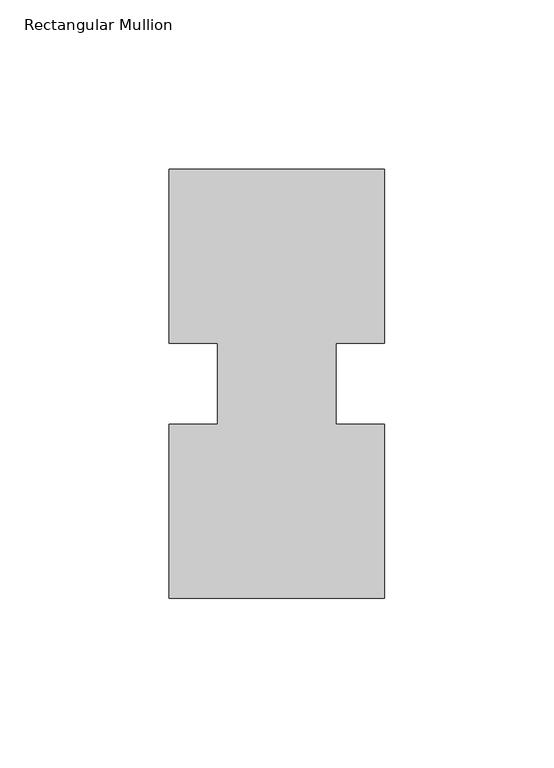
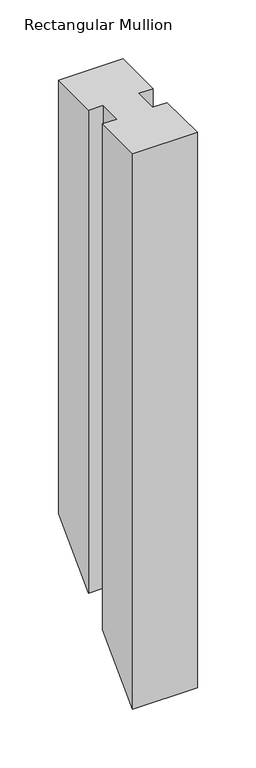
"""IFC4 building model written with IfcOpenShell, lengths in millimetres: member geometry, Rectangular Mullion."""

from ifc_helpers import new_model, si_unit, origin, place, context, project, spatial, faceted_brep, source, transform, mapped, element, save


def rectangular_mullion_e5d40bda(model_context):
    return source(origin(), model_context, "Body", "Brep", [
        faceted_brep([(-63.5, 0.26035, 0.0), (0.0, 0.26035, 0.0), (0.0, 51.60645, 0.0), (-14.2748, 51.60645, 0.0), (-14.2748, 75.40625, 0.0), (0.0, 75.40625, 0.0), (0.0, 126.75235, 0.0), (-63.5, 126.75235, 0.0), (-63.5, 75.40625, 0.0), (-49.2125, 75.40625, 0.0), (-49.2125, 51.60645, 0.0), (-63.5, 51.60645, 0.0), (-63.5, 0.26035, -577.58965), (0.0, 0.26035, -577.58965), (0.0, 51.60645, -526.24355), (-14.2748, 51.60645, -526.24355), (-14.2748, 75.40625, -502.44375), (0.0, 75.40625, -502.44375), (0.0, 126.75235, -451.09765), (-63.5, 126.75235, -451.09765), (-63.5, 75.40625, -502.44375), (-49.2125, 75.40625, -502.44375), (-49.2125, 51.60645, -526.24355), (-63.5, 51.60645, -526.24355)], [[[0, 1, 2, 3, 4, 5, 6, 7, 8, 9, 10, 11]], [[1, 0, 12, 13]], [[2, 1, 13, 14]], [[3, 2, 14, 15]], [[4, 3, 15, 16]], [[5, 4, 16, 17]], [[6, 5, 17, 18]], [[7, 6, 18, 19]], [[8, 7, 19, 20]], [[9, 8, 20, 21]], [[10, 9, 21, 22]], [[11, 10, 22, 23]], [[0, 11, 23, 12]], [[12, 23, 22, 21, 20, 19, 18, 17, 16, 15, 14, 13]]]),
    ])


if __name__ == "__main__":
    model = new_model("IFC4")
    model_context = context("Model", 3, world=origin())
    ifc_project = project(units=[si_unit("LENGTHUNIT", "METRE", prefix="MILLI")], contexts=[model_context])
    site = spatial("IfcSite", under=ifc_project)
    building = spatial("IfcBuilding", under=site)
    placement = place(None, origin())
    rectangular_mullion_shape = rectangular_mullion_e5d40bda(model_context)
    element("IfcMember", 1, ObjectType="Rectangular Mullion", at=placement, inside=building, context=model_context, shape_type="MappedRepresentation", body=[
        mapped(rectangular_mullion_shape, transform((0.0, 0.0, 0.0), x_axis=(1.0, 0.0, 0.0), y_axis=(0.0, 1.0, 0.0), z_axis=(0.0, 0.0, 1.0))),
    ])
    save(model, "model.ifc")
